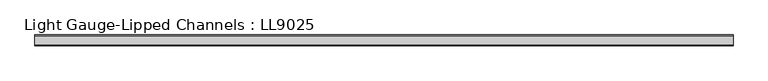
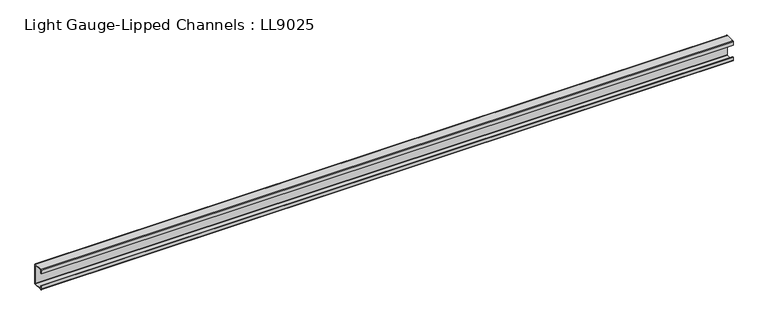
"""IFC4 building model written with IfcOpenShell, lengths in millimetres: beam geometry, Light Gauge-Lipped Channels : LL9025."""

import ifcopenshell
import ifcopenshell.guid

model = None  # the IFC model being written
_history = None  # IfcOwnerHistory: only IFC2X3 demands one
_inside = {}  # id of a spatial element -> (the spatial element, [elements in it])
_under = {}  # id of a project, library or spatial element -> (it, [spatial elements below it])
_declared = {}  # id of a project -> (the project, [libraries it declares])
_typed = {}  # id of a type object -> (the type object, [elements of that type])
_made_of = {}  # id of a material, layer set ... -> (it, [elements and type objects made of it])


def new_model(schema):
    """Start an empty IFC model of exactly this schema.

    Asked for "IFC4X3", IfcOpenShell would pick the latest addendum, in which some entities
    have other attributes; the version numbers below select the first issue.
    IFC2X3 requires an IfcOwnerHistory on every rooted entity: one is made here for all.
    """
    global model, _history
    if schema == "IFC4X3":
        model = ifcopenshell.file(schema_version=(4, 3, 0, 0))
    else:
        model = ifcopenshell.file(schema=schema)
    _inside.clear()
    _under.clear()
    _declared.clear()
    _typed.clear()
    _made_of.clear()
    _history = None
    if model.schema == "IFC2X3":
        org = make("IfcOrganization", Name="unknown")
        user = make(
            "IfcPersonAndOrganization",
            ThePerson=make("IfcPerson", FamilyName="unknown"),
            TheOrganization=org,
        )
        app = make(
            "IfcApplication",
            ApplicationDeveloper=org,
            Version="unknown",
            ApplicationFullName="unknown",
            ApplicationIdentifier="unknown",
        )
        _history = make(
            "IfcOwnerHistory",
            OwningUser=user,
            OwningApplication=app,
            ChangeAction="ADDED",
            CreationDate=0,
        )
    return model


def make(cls, **values):
    """One entity of the class cls with the attributes given. An attribute that is None is left unset."""
    return model.create_entity(
        cls, **{name: value for name, value in values.items() if value is not None}
    )


def rooted(cls, **values):
    """An entity with a GlobalId (a new one), such as an element, a storey or a relation."""
    return make(cls, GlobalId=ifcopenshell.guid.new(), OwnerHistory=_history, **values)


def si_unit(unit_type, name, prefix=None):
    """IfcSIUnit, for example si_unit("LENGTHUNIT", "METRE", prefix="MILLI")."""
    return make("IfcSIUnit", UnitType=unit_type, Prefix=prefix, Name=name)


def assignment(units):
    """IfcUnitAssignment: the units of a project."""
    return None if units is None else make("IfcUnitAssignment", Units=units)


def point(xyz):
    """IfcCartesianPoint."""
    return None if xyz is None else make("IfcCartesianPoint", Coordinates=xyz)


def direction(xyz):
    """IfcDirection."""
    return None if xyz is None else make("IfcDirection", DirectionRatios=xyz)


def frame(location, z_axis=None, x_axis=None):
    """IfcAxis2Placement3D, a coordinate frame: its origin and axes. An axis left out is left unset."""
    return make(
        "IfcAxis2Placement3D",
        Location=point(location),
        Axis=direction(z_axis),
        RefDirection=direction(x_axis),
    )


def frame_2d(location, x_axis=None):
    """IfcAxis2Placement2D, a coordinate frame in the plane: its origin and x axis."""
    return make(
        "IfcAxis2Placement2D", Location=point(location), RefDirection=direction(x_axis)
    )


def origin():
    """The frame at (0, 0, 0) with its axes left unset."""
    return frame((0.0, 0.0, 0.0))


def place(relative_to, where):
    """IfcLocalPlacement: puts the frame where relative to a parent placement (None: the world)."""
    return make(
        "IfcLocalPlacement", PlacementRelTo=relative_to, RelativePlacement=where
    )


def context(
    kind, dimensions, precision=None, world=None, true_north=None, identifier=None
):
    """IfcGeometricRepresentationContext, for example the 3D "Model" context."""
    return make(
        "IfcGeometricRepresentationContext",
        ContextIdentifier=identifier,
        ContextType=kind,
        CoordinateSpaceDimension=dimensions,
        Precision=precision,
        WorldCoordinateSystem=world,
        TrueNorth=true_north,
    )


def project(units=None, contexts=None):
    """IfcProject with its units and contexts."""
    return rooted(
        "IfcProject",
        Name="project",
        RepresentationContexts=contexts,
        UnitsInContext=assignment(units),
    )


def spatial(cls, under=None, at=None, **own):
    """A site, building, storey or space (cls), placed at a placement, below another one or the project."""
    s = rooted(cls, ObjectPlacement=at, **own)
    if under is not None:
        _under.setdefault(under.id(), (under, []))[1].append(s)
    return s


def polyline(points):
    """IfcPolyline through the points."""
    return make("IfcPolyline", Points=[point(p) for p in points])


def circle_curve(where, radius):
    """IfcCircle in the frame where."""
    return make("IfcCircle", Position=where, Radius=radius)


def trimmed(basis, trim1, trim2, sense, master):
    """IfcTrimmedCurve: the piece of a basis curve between two trims."""
    return make(
        "IfcTrimmedCurve",
        BasisCurve=basis,
        Trim1=trim1,
        Trim2=trim2,
        SenseAgreement=sense,
        MasterRepresentation=master,
    )


def segment(curve, same_sense, transition):
    """IfcCompositeCurveSegment."""
    return make(
        "IfcCompositeCurveSegment",
        Transition=transition,
        SameSense=same_sense,
        ParentCurve=curve,
    )


def composite_curve(segments, self_intersect=None):
    """IfcCompositeCurve: segments joined end to end."""
    return make("IfcCompositeCurve", Segments=segments, SelfIntersect=self_intersect)


def outline(outer, holes=None, kind="AREA"):
    """IfcArbitraryClosedProfileDef: a profile drawn as a closed curve; with holes, ...WithVoids."""
    if holes is None:
        return make("IfcArbitraryClosedProfileDef", ProfileType=kind, OuterCurve=outer)
    return make(
        "IfcArbitraryProfileDefWithVoids",
        ProfileType=kind,
        OuterCurve=outer,
        InnerCurves=holes,
    )


def extrude(swept, where, along, depth):
    """IfcExtrudedAreaSolid: the profile swept, set in the frame where, extruded along a direction by depth."""
    return make(
        "IfcExtrudedAreaSolid",
        SweptArea=swept,
        Position=where,
        ExtrudedDirection=direction(along),
        Depth=depth,
    )


def shape(context_of_items, identifier, shape_type, items):
    """IfcShapeRepresentation: the items that make up one representation, for example the "Body"."""
    return make(
        "IfcShapeRepresentation",
        ContextOfItems=context_of_items,
        RepresentationIdentifier=identifier,
        RepresentationType=shape_type,
        Items=items,
    )


def source(mapping_origin, context_of_items, identifier, shape_type, items):
    """IfcRepresentationMap: a shape defined once, which mapped items show again and again."""
    return make(
        "IfcRepresentationMap",
        MappingOrigin=mapping_origin,
        MappedRepresentation=shape(context_of_items, identifier, shape_type, items),
    )


def transform(
    local_origin,
    x_axis=None,
    y_axis=None,
    z_axis=None,
    scale=None,
    scale2=None,
    scale3=None,
    uniform=True,
):
    """IfcCartesianTransformationOperator3D, or its non-uniform kind. x_axis, y_axis, z_axis: its Axis1, 2, 3."""
    if uniform:
        return make(
            "IfcCartesianTransformationOperator3D",
            Axis1=direction(x_axis),
            Axis2=direction(y_axis),
            LocalOrigin=point(local_origin),
            Scale=scale,
            Axis3=direction(z_axis),
        )
    return make(
        "IfcCartesianTransformationOperator3DnonUniform",
        Axis1=direction(x_axis),
        Axis2=direction(y_axis),
        LocalOrigin=point(local_origin),
        Scale=scale,
        Axis3=direction(z_axis),
        Scale2=scale2,
        Scale3=scale3,
    )


def mapped(mapping_source, mapping_target):
    """IfcMappedItem: shows the shape of a source again, moved by a transform."""
    return make(
        "IfcMappedItem", MappingSource=mapping_source, MappingTarget=mapping_target
    )


def made_of(thing, what):
    """Note that an element or type object is made of a material, layer set ...; save() writes the relation."""
    if what is not None:
        _made_of.setdefault(what.id(), (what, []))[1].append(thing)
    return thing


def element(
    cls,
    number,
    at=None,
    inside=None,
    cuts=None,
    type_object=None,
    material=None,
    context=None,
    identifier="Body",
    shape_type=None,
    held_by="IfcProductDefinitionShape",
    body=None,
    shapes=None,
    **own,
):
    """One element of the class cls, such as IfcWall. Its Tag is "e" and its number.

    at: its placement. inside: the storey or other place that contains it. cuts: it is an
    opening in that element (IfcRelVoidsElement). A single representation is given by context,
    identifier, shape_type and body (its items); several are given by shapes. held_by: the class
    of the entity that holds the representations. save() writes the other relations.
    """
    e = rooted(cls, Tag="e%d" % number, ObjectPlacement=at, **own)
    if body is not None:
        shapes = [shape(context, identifier, shape_type, body)]
    if shapes is not None:
        e.Representation = make(held_by, Representations=shapes)
    if inside is not None:
        _inside.setdefault(inside.id(), (inside, []))[1].append(e)
    if cuts is not None:
        rooted(
            "IfcRelVoidsElement", RelatingBuildingElement=cuts, RelatedOpeningElement=e
        )
    if type_object is not None:
        _typed.setdefault(type_object.id(), (type_object, []))[1].append(e)
    return made_of(e, material)


def aggregate(whole, parts):
    """IfcRelAggregates: a whole, such as a stair, and the parts it consists of."""
    return rooted("IfcRelAggregates", RelatingObject=whole, RelatedObjects=parts)


def save(model, path):
    """Write the relations noted so far, then the file.

    IfcRelAggregates (storeys below a building ...), IfcRelContainedInSpatialStructure (elements
    in a storey), IfcRelDefinesByType, IfcRelAssociatesMaterial and IfcRelDeclares: one each for
    every whole, place, type object, material and project.
    """
    for whole, parts in _under.values():
        aggregate(whole, parts)
    for where, things in _inside.values():
        rooted(
            "IfcRelContainedInSpatialStructure",
            RelatedElements=things,
            RelatingStructure=where,
        )
    for kind, things in _typed.values():
        rooted("IfcRelDefinesByType", RelatedObjects=things, RelatingType=kind)
    for what, things in _made_of.values():
        rooted("IfcRelAssociatesMaterial", RelatedObjects=things, RelatingMaterial=what)
    for by, libraries in _declared.values():
        rooted("IfcRelDeclares", RelatingContext=by, RelatedDefinitions=libraries)
    model.write(path)


def light_gauge_lipped_channels_ll9025_d0337640(model_context):
    return source(origin(), model_context, "Body", "SweptSolid", [
        extrude(outline(composite_curve([segment(trimmed(circle_curve(frame_2d((14.7, -41.5)), 3.5), [point((18.2, -41.5))], [point((14.7, -45.0))], False, "CARTESIAN"), True, "CONTINUOUS"), segment(polyline([(14.7, -45.0), (-23.3, -45.0)]), True, "CONTINUOUS"), segment(trimmed(circle_curve(frame_2d((-23.3, -41.5)), 3.5), [point((-23.3, -45.0))], [point((-26.8, -41.5))], False, "CARTESIAN"), True, "CONTINUOUS"), segment(polyline([(-26.8, -41.5), (-26.8, -27.0), (-24.3, -27.0), (-24.3, -41.5)]), True, "CONTINUOUS"), segment(trimmed(circle_curve(frame_2d((-23.3, -41.5)), 1.0), [point((-24.3, -41.5))], [point((-23.3, -42.5))], True, "CARTESIAN"), True, "CONTINUOUS"), segment(polyline([(-23.3, -42.5), (14.7, -42.5)]), True, "CONTINUOUS"), segment(trimmed(circle_curve(frame_2d((14.7, -41.5)), 1.0), [point((14.7, -42.5))], [point((15.7, -41.5))], True, "CARTESIAN"), True, "CONTINUOUS"), segment(polyline([(15.7, -41.5), (15.7, 41.5)]), True, "CONTINUOUS"), segment(trimmed(circle_curve(frame_2d((14.7, 41.5)), 1.0), [point((15.7, 41.5))], [point((14.7, 42.5))], True, "CARTESIAN"), True, "CONTINUOUS"), segment(polyline([(14.7, 42.5), (-23.3, 42.5)]), True, "CONTINUOUS"), segment(trimmed(circle_curve(frame_2d((-23.3, 41.5)), 1.0), [point((-23.3, 42.5))], [point((-24.3, 41.5))], True, "CARTESIAN"), True, "CONTINUOUS"), segment(polyline([(-24.3, 41.5), (-24.3, 27.0), (-26.8, 27.0), (-26.8, 41.5)]), True, "CONTINUOUS"), segment(trimmed(circle_curve(frame_2d((-23.3, 41.5)), 3.5), [point((-26.8, 41.5))], [point((-23.3, 45.0))], False, "CARTESIAN"), True, "CONTINUOUS"), segment(polyline([(-23.3, 45.0), (14.7, 45.0)]), True, "CONTINUOUS"), segment(trimmed(circle_curve(frame_2d((14.7, 41.5)), 3.5), [point((14.7, 45.0))], [point((18.2, 41.5))], False, "CARTESIAN"), True, "CONTINUOUS"), segment(polyline([(18.2, 41.5), (18.2, -41.5)]), True, "CONTINUOUS")], self_intersect=False)), frame((-1486.2, 0.0, 0.0), z_axis=(1.0, 0.0, 0.0), x_axis=(0.0, 1.0, 0.0)), (0.0, 0.0, 1.0), 2916.7),
    ])


if __name__ == "__main__":
    model = new_model("IFC4")
    model_context = context("Model", 3, world=origin())
    ifc_project = project(units=[si_unit("LENGTHUNIT", "METRE", prefix="MILLI")], contexts=[model_context])
    site = spatial("IfcSite", under=ifc_project)
    building = spatial("IfcBuilding", under=site)
    placement = place(None, origin())
    light_gauge_lipped_channels_ll9025_shape = light_gauge_lipped_channels_ll9025_d0337640(model_context)
    element("IfcBeam", 1, ObjectType="Light Gauge-Lipped Channels : LL9025", at=placement, inside=building, context=model_context, shape_type="MappedRepresentation", body=[
        mapped(light_gauge_lipped_channels_ll9025_shape, transform((0.0, 0.0, 0.0), x_axis=(1.0, 0.0, 0.0), y_axis=(0.0, 1.0, 0.0), z_axis=(0.0, 0.0, 1.0))),
    ])
    save(model, "model.ifc")
